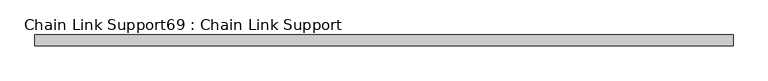
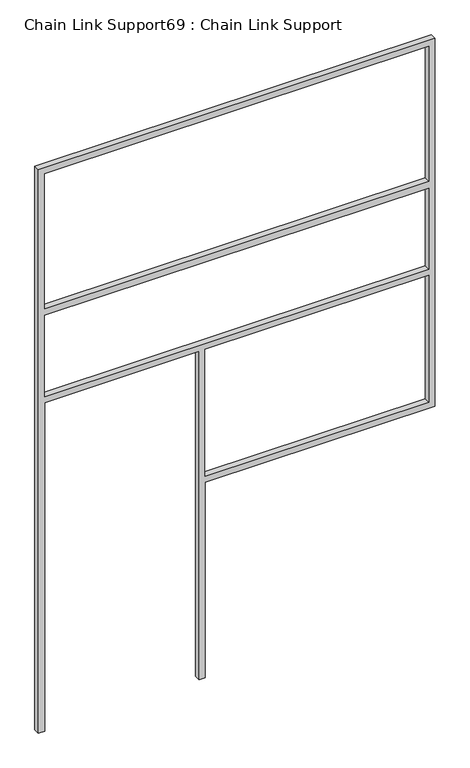
"""IFC4 building model written with IfcOpenShell, lengths in millimetres: proxy geometry, Chain Link Support69 : Chain Link Support."""

from ifc_helpers import new_model, si_unit, frame, origin, place, context, project, spatial, polyline, outline, extrude, source, transform, mapped, element, save


def chain_link_support69_chain_link_support_9c4ede62(model_context):
    return source(origin(), model_context, "Body", "SweptSolid", [
        extrude(outline(polyline([(3657.6, 16049.988985), (0.0, 16049.988985), (0.0, 16088.088985), (2133.6, 16088.088985), (2133.6, 17037.413985), (0.0, 17037.413985), (0.0, 17075.513985), (1270.0, 17075.513985), (1270.0, 18488.388985), (3657.6, 18488.388985), (3657.6, 16049.988985)]), holes=[polyline([(2743.2, 16088.088985), (3619.5, 16088.088985), (3619.5, 18450.288985), (2743.2, 18450.288985), (2743.2, 16088.088985)]), polyline([(1308.1, 18450.288985), (1308.1, 17075.513985), (2133.6, 17075.513985), (2133.6, 18450.288985), (1308.1, 18450.288985)]), polyline([(2171.7, 16088.088985), (2698.75, 16088.088985), (2698.75, 18450.288985), (2171.7, 18450.288985), (2171.7, 16088.088985)])]), frame((0.0, 12505.9012841, 0.0), z_axis=(0.0, 1.0, 0.0), x_axis=(0.0, 0.0, 1.0)), (0.0, 0.0, 1.0), 38.1),
    ])


if __name__ == "__main__":
    model = new_model("IFC4")
    model_context = context("Model", 3, world=origin())
    ifc_project = project(units=[si_unit("LENGTHUNIT", "METRE", prefix="MILLI")], contexts=[model_context])
    site = spatial("IfcSite", under=ifc_project)
    building = spatial("IfcBuilding", under=site)
    placement = place(None, origin())
    chain_link_support69_chain_link_support_shape = chain_link_support69_chain_link_support_9c4ede62(model_context)
    element("IfcBuildingElementProxy", 1, Name="Chain Link Support69 : Chain Link Support", ObjectType="Chain Link Support69 : Chain Link Support", at=placement, inside=building, context=model_context, shape_type="MappedRepresentation", body=[
        mapped(chain_link_support69_chain_link_support_shape, transform((0.0, 0.0, 0.0), x_axis=(1.0, 0.0, 0.0), y_axis=(0.0, 1.0, 0.0), z_axis=(0.0, 0.0, 1.0))),
    ])
    save(model, "model.ifc")
